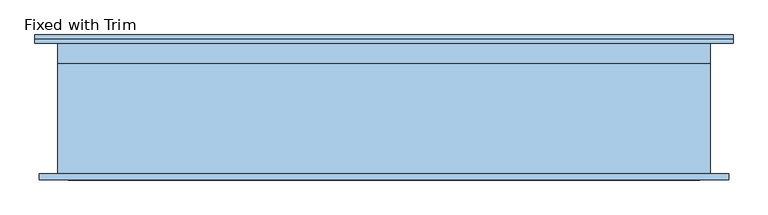
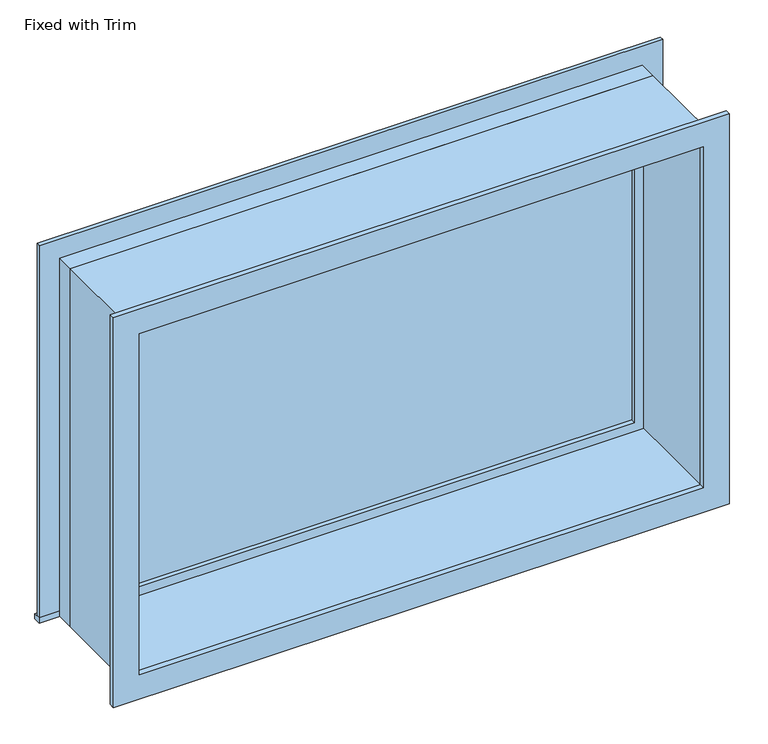
"""IFC4 building model written with IfcOpenShell, lengths in millimetres: window geometry, Fixed with Trim."""

from ifc_helpers import new_model, si_unit, frame, origin, place, context, project, spatial, polyline, outline, extrude, source, transform, mapped, element, save


def fixed_with_trim_404f9303(model_context):
    return source(origin(), model_context, "Body", "SweptSolid", [
        extrude(outline(polyline([(-1107.95, 225.4), (1031.75, 225.4), (1031.75, 200.0), (-1107.95, 200.0), (-1107.95, 225.4)])), frame((0.0, 0.0, 914.4), z_axis=(0.0, 0.0, 1.0), x_axis=(1.0, 0.0, 0.0)), (0.0, 0.0, 1.0), 19.05),
        extrude(outline(polyline([(2195.35, -1019.05), (2195.35, 942.85), (933.45, 942.85), (933.45, 1031.75), (2284.25, 1031.75), (2284.25, -1107.95), (933.45, -1107.95), (933.45, -1019.05), (2195.35, -1019.05)])), frame((0.0, 200.0, 0.0), z_axis=(0.0, 1.0, 0.0), x_axis=(0.0, 0.0, 1.0)), (0.0, 0.0, 1.0), 12.7),
        extrude(outline(polyline([(2271.55, 1019.05), (2271.55, -1095.25), (857.25, -1095.25), (857.25, 1019.05), (2271.55, 1019.05)]), holes=[polyline([(2182.65, 930.15), (946.15, 930.15), (946.15, -1006.35), (2182.65, -1006.35), (2182.65, 930.15)])]), frame((0.0, -219.05, 0.0), z_axis=(0.0, 1.0, 0.0), x_axis=(0.0, 0.0, 1.0)), (0.0, 0.0, 1.0), 19.05),
        extrude(outline(polyline([(898.4, 152.375), (-974.6, 152.375), (-974.6, 165.075), (898.4, 165.075), (898.4, 152.375)])), frame((0.0, 0.0, 977.9), z_axis=(0.0, 0.0, 1.0), x_axis=(1.0, 0.0, 0.0)), (0.0, 0.0, 1.0), 1173.0),
        extrude(outline(polyline([(2195.35, -1019.05), (933.45, -1019.05), (933.45, 942.85), (2195.35, 942.85), (2195.35, -1019.05)]), holes=[polyline([(2150.9, -974.6), (2150.9, 898.4), (977.9, 898.4), (977.9, -974.6), (2150.9, -974.6)])]), frame((0.0, 136.5, 0.0), z_axis=(0.0, 1.0, 0.0), x_axis=(0.0, 0.0, 1.0)), (0.0, 0.0, 1.0), 44.45),
        extrude(outline(polyline([(2214.4, -1038.1), (914.4, -1038.1), (914.4, 961.9), (2214.4, 961.9), (2214.4, -1038.1)]), holes=[polyline([(2182.65, -1006.35), (2182.65, 930.15), (946.15, 930.15), (946.15, -1006.35), (2182.65, -1006.35)])]), frame((0.0, -200.0, 0.0), z_axis=(0.0, 1.0, 0.0), x_axis=(0.0, 0.0, 1.0)), (0.0, 0.0, 1.0), 336.5),
        extrude(outline(polyline([(2214.4, 961.9), (2214.4, -1038.1), (914.4, -1038.1), (914.4, 961.9), (2214.4, 961.9)]), holes=[polyline([(2195.35, 942.85), (933.45, 942.85), (933.45, -1019.05), (2195.35, -1019.05), (2195.35, 942.85)])]), frame((0.0, 136.5, 0.0), z_axis=(0.0, 1.0, 0.0), x_axis=(0.0, 0.0, 1.0)), (0.0, 0.0, 1.0), 63.5),
    ])


if __name__ == "__main__":
    model = new_model("IFC4")
    model_context = context("Model", 3, world=origin())
    ifc_project = project(units=[si_unit("LENGTHUNIT", "METRE", prefix="MILLI")], contexts=[model_context])
    site = spatial("IfcSite", under=ifc_project)
    building = spatial("IfcBuilding", under=site)
    placement = place(None, origin())
    fixed_with_trim_shape = fixed_with_trim_404f9303(model_context)
    element("IfcWindow", 1, ObjectType="Fixed with Trim", at=placement, inside=building, context=model_context, shape_type="MappedRepresentation", body=[
        mapped(fixed_with_trim_shape, transform((0.0, 0.0, 0.0), x_axis=(1.0, 0.0, 0.0), y_axis=(0.0, 1.0, 0.0), z_axis=(0.0, 0.0, 1.0))),
    ])
    save(model, "model.ifc")
